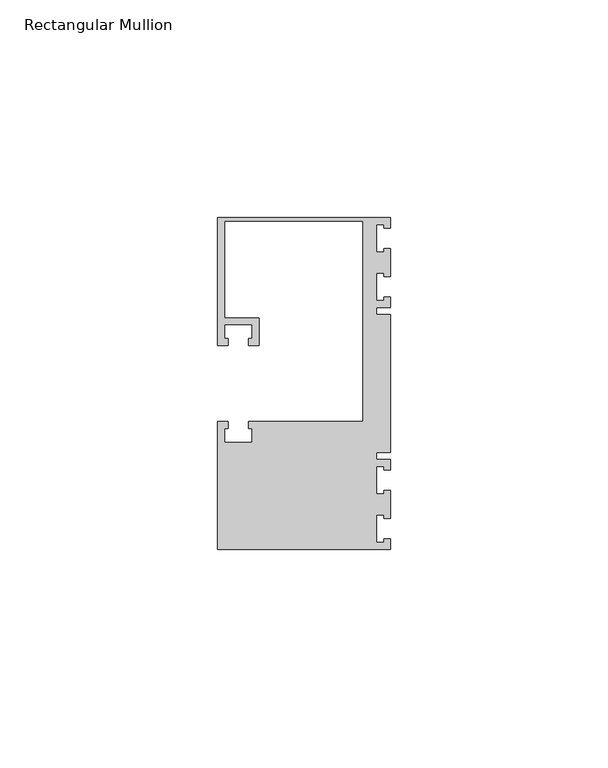
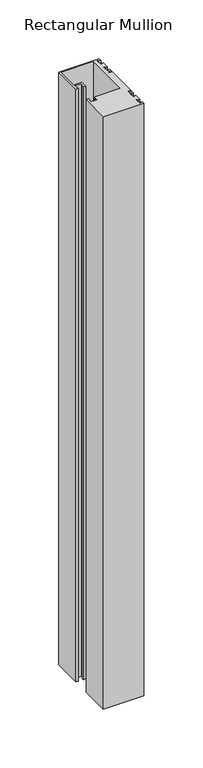
"""IFC4 building model written with IfcOpenShell, lengths in millimetres: member geometry, Rectangular Mullion."""

from ifc_helpers import new_model, si_unit, frame, origin, place, context, project, spatial, polyline, outline, extrude, source, transform, mapped, element, save


def rectangular_mullion_35ac3192(model_context):
    return source(origin(), model_context, "Body", "SweptSolid", [
        extrude(outline(polyline([(0.0, 38.1), (0.0, 35.71875), (-1.4999946, 35.71875), (-1.4999946, 36.5125), (-3.175, 36.5125), (-3.175, 30.1625), (-1.4999946, 30.1625), (-1.4999946, 30.95625), (0.0, 30.95625), (0.0, 24.60625), (-1.4999946, 24.60625), (-1.4999946, 25.4), (-3.175, 25.4), (-3.175, 19.05), (-1.4999946, 19.05), (-1.4999946, 19.84375), (0.0, 19.84375), (0.0, 17.4625), (-3.175, 17.4625), (-3.175, 15.875), (0.0, 15.875), (0.0, -15.875), (-3.175, -15.875), (-3.175, -17.4625), (0.0, -17.4625), (0.0, -19.84375), (-1.4999946, -19.84375), (-1.4999946, -19.05), (-3.175, -19.05), (-3.175, -25.4), (-1.4999946, -25.4), (-1.4999946, -24.60625), (0.0, -24.60625), (0.0, -30.95625), (-1.4999946, -30.95625), (-1.4999946, -30.1625), (-3.175, -30.1625), (-3.175, -36.5125), (-1.4999946, -36.5125), (-1.4999946, -35.71875), (0.0, -35.71875), (0.0, -38.1), (-39.6875, -38.1), (-39.6875, -8.73125), (-37.30625, -8.73125), (-37.30625, -10.31875), (-38.1, -10.31875), (-38.1, -13.49375), (-31.75, -13.49375), (-31.75, -10.31875), (-32.54375, -10.31875), (-32.54375, -8.73125), (-6.35, -8.73125), (-6.35, 37.30625), (-38.1, 37.30625), (-38.1, 15.08125), (-30.1625, 15.08125), (-30.1625, 8.73125), (-32.54375, 8.73125), (-32.54375, 10.31875), (-31.75, 10.31875), (-31.75, 13.49375), (-38.1, 13.49375), (-38.1, 10.31875), (-37.30625, 10.31875), (-37.30625, 8.73125), (-39.6875, 8.73125), (-39.6875, 38.1), (0.0, 38.1)])), frame((0.0, 0.0, -615.95), z_axis=(0.0, 0.0, 1.0), x_axis=(1.0, 0.0, 0.0)), (0.0, 0.0, 1.0), 615.95),
    ])


if __name__ == "__main__":
    model = new_model("IFC4")
    model_context = context("Model", 3, world=origin())
    ifc_project = project(units=[si_unit("LENGTHUNIT", "METRE", prefix="MILLI")], contexts=[model_context])
    site = spatial("IfcSite", under=ifc_project)
    building = spatial("IfcBuilding", under=site)
    placement = place(None, origin())
    rectangular_mullion_shape = rectangular_mullion_35ac3192(model_context)
    element("IfcMember", 1, ObjectType="Rectangular Mullion", at=placement, inside=building, context=model_context, shape_type="MappedRepresentation", body=[
        mapped(rectangular_mullion_shape, transform((0.0, 0.0, 0.0), x_axis=(1.0, 0.0, 0.0), y_axis=(0.0, 1.0, 0.0), z_axis=(0.0, 0.0, 1.0))),
    ])
    save(model, "model.ifc")
